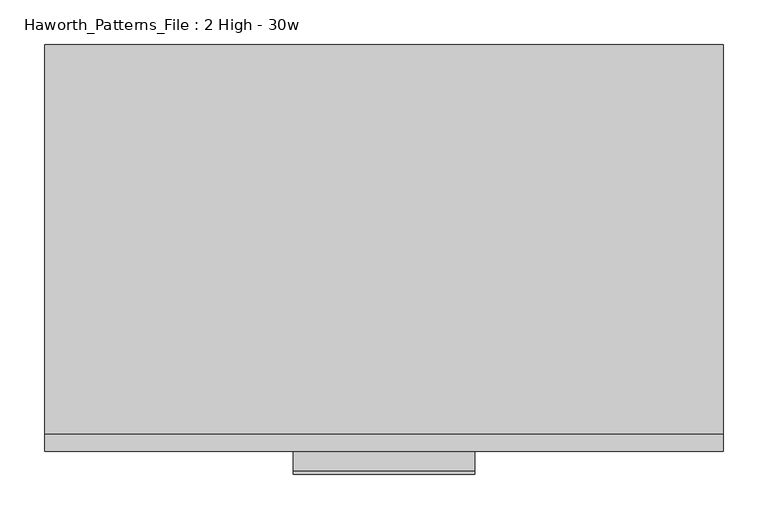
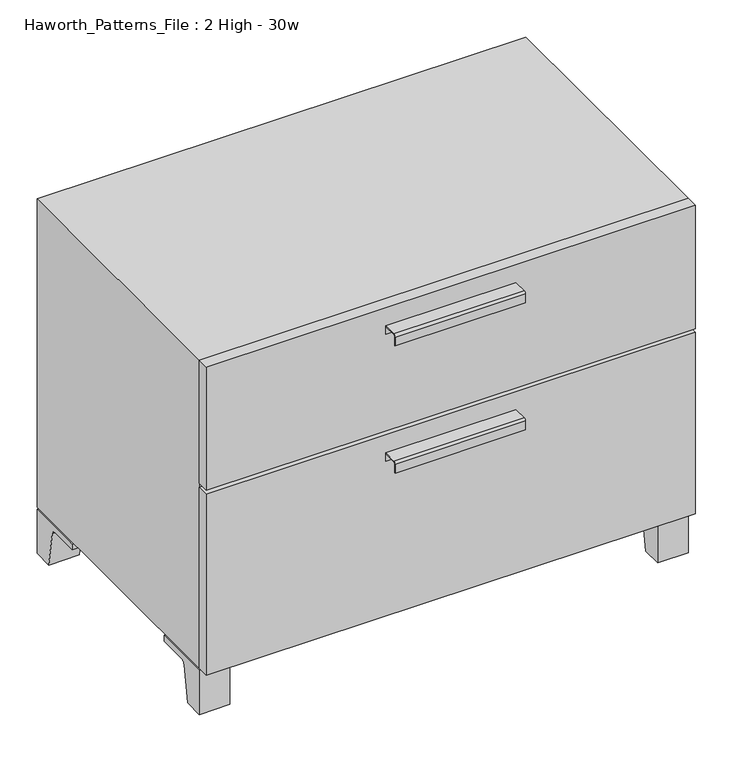
"""IFC4 building model written with IfcOpenShell, lengths in millimetres: furniture geometry, Haworth_Patterns_File : 2 High - 30w."""

from ifc_helpers import new_model, si_unit, point, frame, frame_2d, origin, place, context, project, spatial, polyline, circle_curve, trimmed, segment, composite_curve, outline, extrude, source, transform, mapped, element, save


def haworth_patterns_file_2_high_30w_6cf1a99f(model_context):
    return source(origin(), model_context, "Body", "SweptSolid", [
        extrude(outline(composite_curve([segment(polyline([(-479.4250242, 554.6169215), (-457.2, 554.6169215), (-457.2, 541.1549525), (-457.9937742, 541.1549525), (-457.9937742, 553.8232199), (-479.4250242, 553.8232199)]), True, "CONTINUOUS"), segment(trimmed(circle_curve(frame_2d((-479.4250242, 551.4392808)), 2.3839392), [point((-479.4250242, 553.8232199))], [point((-481.8089634, 551.4392808))], True, "CARTESIAN"), True, "CONTINUOUS"), segment(polyline([(-481.8089634, 551.4392808), (-481.8089634, 536.8369021), (-482.5999758, 536.8369021), (-482.5999758, 551.4419699)]), True, "CONTINUOUS"), segment(trimmed(circle_curve(frame_2d((-479.4250242, 551.4419699)), 3.1749516), [point((-482.5999758, 551.4419699))], [point((-479.4250242, 554.6169215))], False, "CARTESIAN"), True, "CONTINUOUS")], self_intersect=False)), frame((-101.6, 0.0, 0.0), z_axis=(1.0, 0.0, 0.0), x_axis=(0.0, 1.0, 0.0)), (0.0, 0.0, 1.0), 203.2),
        extrude(outline(polyline([(381.0, -438.15), (381.0, -457.2), (-381.0, -457.2), (-381.0, -438.15), (381.0, -438.15)])), frame((0.0, 0.0, 381.0), z_axis=(0.0, 0.0, 1.0), x_axis=(1.0, 0.0, 0.0)), (0.0, 0.0, 1.0), 203.2),
        extrude(outline(composite_curve([segment(polyline([(-479.4250242, 345.0669215), (-457.2, 345.0669215), (-457.2, 331.6049525), (-457.9937742, 331.6049525), (-457.9937742, 344.2732199), (-479.4250242, 344.2732199)]), True, "CONTINUOUS"), segment(trimmed(circle_curve(frame_2d((-479.4250242, 341.8892808)), 2.3839392), [point((-479.4250242, 344.2732199))], [point((-481.8089634, 341.8892808))], True, "CARTESIAN"), True, "CONTINUOUS"), segment(polyline([(-481.8089634, 341.8892808), (-481.8089634, 327.2869021), (-482.5999758, 327.2869021), (-482.5999758, 341.8919699)]), True, "CONTINUOUS"), segment(trimmed(circle_curve(frame_2d((-479.4250242, 341.8919699)), 3.1749516), [point((-482.5999758, 341.8919699))], [point((-479.4250242, 345.0669215))], False, "CARTESIAN"), True, "CONTINUOUS")], self_intersect=False)), frame((-101.6, 0.0, 0.0), z_axis=(1.0, 0.0, 0.0), x_axis=(0.0, 1.0, 0.0)), (0.0, 0.0, 1.0), 203.2),
        extrude(outline(polyline([(381.0, -438.15), (381.0, -457.2), (-381.0, -457.2), (-381.0, -438.15), (381.0, -438.15)])), frame((0.0, 0.0, 76.2), z_axis=(0.0, 0.0, 1.0), x_axis=(1.0, 0.0, 0.0)), (0.0, 0.0, 1.0), 298.45),
        extrude(outline(polyline([(336.55, -434.975), (336.55, -346.075), (377.825, -346.075), (377.825, -434.975), (336.55, -434.975)])), frame((0.0, 0.0, 73.025), z_axis=(0.0, 0.0, 1.0), x_axis=(1.0, 0.0, 0.0)), (0.0, 0.0, 1.0), 3.175),
        extrude(outline(composite_curve([segment(polyline([(-406.4, 0.0), (-438.15, 0.0), (-438.15, 73.025), (-342.9, 73.025), (-342.9, 63.5), (-390.525, 63.5)]), True, "CONTINUOUS"), segment(trimmed(circle_curve(frame_2d((-390.525, 57.15)), 6.35), [point((-390.525, 63.5))], [point((-396.875, 57.15))], True, "CARTESIAN"), True, "CONTINUOUS"), segment(polyline([(-396.875, 57.15), (-406.4, 0.0)]), True, "CONTINUOUS")], self_intersect=False)), frame((333.375, 0.0, 0.0), z_axis=(1.0, 0.0, 0.0), x_axis=(0.0, 1.0, 0.0)), (0.0, 0.0, 1.0), 47.625),
        extrude(outline(polyline([(-336.55, -434.975), (-377.825, -434.975), (-377.825, -346.075), (-336.55, -346.075), (-336.55, -434.975)])), frame((0.0, 0.0, 73.025), z_axis=(0.0, 0.0, 1.0), x_axis=(1.0, 0.0, 0.0)), (0.0, 0.0, 1.0), 3.175),
        extrude(outline(composite_curve([segment(polyline([(-406.4, 0.0), (-438.15, 0.0), (-438.15, 73.025), (-342.9, 73.025), (-342.9, 63.5), (-390.525, 63.5)]), True, "CONTINUOUS"), segment(trimmed(circle_curve(frame_2d((-390.525, 57.15)), 6.35), [point((-390.525, 63.5))], [point((-396.875, 57.15))], True, "CARTESIAN"), True, "CONTINUOUS"), segment(polyline([(-396.875, 57.15), (-406.4, 0.0)]), True, "CONTINUOUS")], self_intersect=False)), frame((-381.0, 0.0, 0.0), z_axis=(1.0, 0.0, 0.0), x_axis=(0.0, 1.0, 0.0)), (0.0, 0.0, 1.0), 47.625),
        extrude(outline(polyline([(336.55, -3.175), (377.825, -3.175), (377.825, -92.075), (336.55, -92.075), (336.55, -3.175)])), frame((0.0, 0.0, 73.025), z_axis=(0.0, 0.0, 1.0), x_axis=(1.0, 0.0, 0.0)), (0.0, 0.0, 1.0), 3.175),
        extrude(outline(composite_curve([segment(polyline([(-31.75, 0.0), (-41.275, 57.15)]), True, "CONTINUOUS"), segment(trimmed(circle_curve(frame_2d((-47.625, 57.15)), 6.35), [point((-41.275, 57.15))], [point((-47.625, 63.5))], True, "CARTESIAN"), True, "CONTINUOUS"), segment(polyline([(-47.625, 63.5), (-95.25, 63.5), (-95.25, 73.025), (0.0, 73.025), (0.0, 0.0), (-31.75, 0.0)]), True, "CONTINUOUS")], self_intersect=False)), frame((333.375, 0.0, 0.0), z_axis=(1.0, 0.0, 0.0), x_axis=(0.0, 1.0, 0.0)), (0.0, 0.0, 1.0), 47.625),
        extrude(outline(polyline([(-336.55, -3.175), (-336.55, -92.075), (-377.825, -92.075), (-377.825, -3.175), (-336.55, -3.175)])), frame((0.0, 0.0, 73.025), z_axis=(0.0, 0.0, 1.0), x_axis=(1.0, 0.0, 0.0)), (0.0, 0.0, 1.0), 3.175),
        extrude(outline(composite_curve([segment(polyline([(-31.75, 0.0), (-41.275, 57.15)]), True, "CONTINUOUS"), segment(trimmed(circle_curve(frame_2d((-47.625, 57.15)), 6.35), [point((-41.275, 57.15))], [point((-47.625, 63.5))], True, "CARTESIAN"), True, "CONTINUOUS"), segment(polyline([(-47.625, 63.5), (-95.25, 63.5), (-95.25, 73.025), (0.0, 73.025), (0.0, 0.0), (-31.75, 0.0)]), True, "CONTINUOUS")], self_intersect=False)), frame((-381.0, 0.0, 0.0), z_axis=(1.0, 0.0, 0.0), x_axis=(0.0, 1.0, 0.0)), (0.0, 0.0, 1.0), 47.625),
        extrude(outline(polyline([(381.0, 0.0), (381.0, -438.15), (-381.0, -438.15), (-381.0, 0.0), (381.0, 0.0)])), frame((0.0, 0.0, 76.2), z_axis=(0.0, 0.0, 1.0), x_axis=(1.0, 0.0, 0.0)), (0.0, 0.0, 1.0), 508.0),
    ])


if __name__ == "__main__":
    model = new_model("IFC4")
    model_context = context("Model", 3, world=origin())
    ifc_project = project(units=[si_unit("LENGTHUNIT", "METRE", prefix="MILLI")], contexts=[model_context])
    site = spatial("IfcSite", under=ifc_project)
    building = spatial("IfcBuilding", under=site)
    placement = place(None, origin())
    haworth_patterns_file_2_high_30w_shape = haworth_patterns_file_2_high_30w_6cf1a99f(model_context)
    element("IfcFurniture", 1, ObjectType="Haworth_Patterns_File : 2 High - 30w", at=placement, inside=building, context=model_context, shape_type="MappedRepresentation", body=[
        mapped(haworth_patterns_file_2_high_30w_shape, transform((0.0, 0.0, 0.0), x_axis=(1.0, 0.0, 0.0), y_axis=(0.0, 1.0, 0.0), z_axis=(0.0, 0.0, 1.0))),
    ])
    save(model, "model.ifc")
